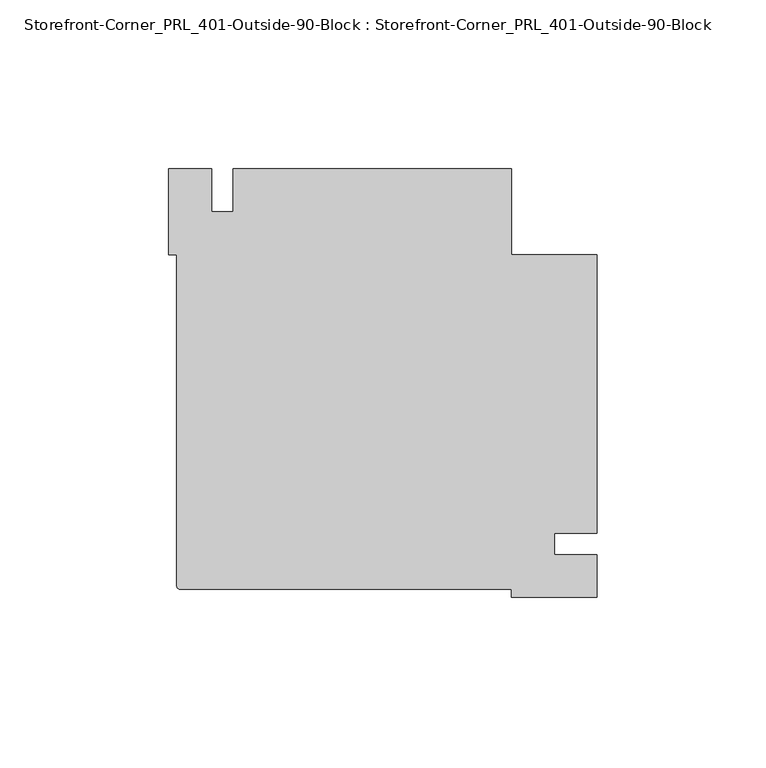
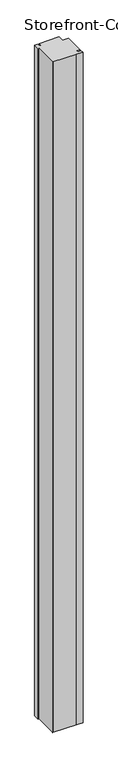
"""IFC4 building model written with IfcOpenShell, lengths in millimetres: proxy geometry, Storefront-Corner_PRL_401-Outside-90-Block : Storefront-Corner_PRL_401-Outside-90-Block."""

from ifc_helpers import new_model, si_unit, point, frame_2d, origin, origin_with_axes, place, context, project, spatial, polyline, circle_curve, trimmed, segment, composite_curve, outline, extrude, source, transform, mapped, element, save


def storefront_corner_prl_401_outside_90_block_storefront_corner_5d6c122e(model_context):
    return source(origin(), model_context, "Body", "SweptSolid", [
        extrude(outline(composite_curve([segment(polyline([(111.125, 3.175), (98.425, 3.175), (98.425, -3.175), (111.125, -3.175), (111.125, -15.875), (85.725, -15.875), (85.725, -13.49375), (-12.303125, -13.49375)]), True, "CONTINUOUS"), segment(trimmed(circle_curve(frame_2d((-12.303125, -12.303125)), 1.190625), [point((-12.303125, -13.49375))], [point((-13.49375, -12.303125))], False, "CARTESIAN"), True, "CONTINUOUS"), segment(polyline([(-13.49375, -12.303125), (-13.49375, 85.725), (-15.875, 85.725), (-15.875, 111.125), (-3.175, 111.125), (-3.175, 98.425), (3.175, 98.425), (3.175, 111.125), (85.725, 111.125), (85.725, 85.725), (111.125, 85.725), (111.125, 3.175)]), True, "CONTINUOUS")], self_intersect=False)), origin_with_axes(), (0.0, 0.0, 1.0), 2946.4),
    ])


if __name__ == "__main__":
    model = new_model("IFC4")
    model_context = context("Model", 3, world=origin())
    ifc_project = project(units=[si_unit("LENGTHUNIT", "METRE", prefix="MILLI")], contexts=[model_context])
    site = spatial("IfcSite", under=ifc_project)
    building = spatial("IfcBuilding", under=site)
    placement = place(None, origin())
    storefront_corner_prl_401_outside_90_block_storefront_corner_shape = storefront_corner_prl_401_outside_90_block_storefront_corner_5d6c122e(model_context)
    element("IfcBuildingElementProxy", 1, Name="Storefront-Corner_PRL_401-Outside-90-Block : Storefront-Corner_PRL_401-Outside-90-Block", ObjectType="Storefront-Corner_PRL_401-Outside-90-Block : Storefront-Corner_PRL_401-Outside-90-Block", at=placement, inside=building, context=model_context, shape_type="MappedRepresentation", body=[
        mapped(storefront_corner_prl_401_outside_90_block_storefront_corner_shape, transform((0.0, 0.0, 0.0), x_axis=(1.0, 0.0, 0.0), y_axis=(0.0, 1.0, 0.0), z_axis=(0.0, 0.0, 1.0))),
    ])
    save(model, "model.ifc")
